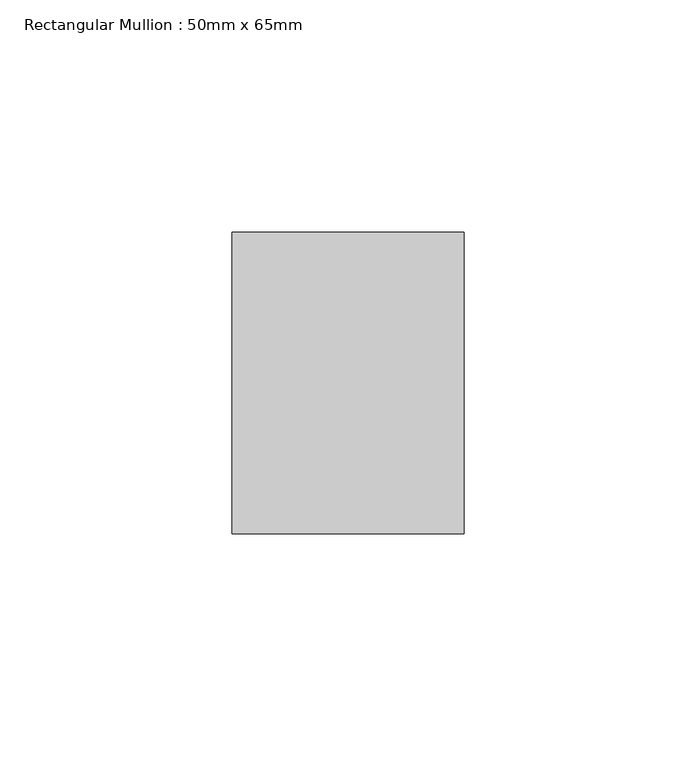
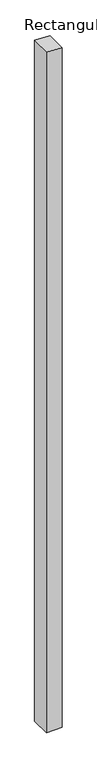
"""IFC4 building model written with IfcOpenShell, lengths in millimetres: member geometry, Rectangular Mullion : 50mm x 65mm."""

from ifc_helpers import new_model, si_unit, origin, place, context, project, spatial, faceted_brep, source, transform, mapped, element, save


def rectangular_mullion_50mm_x_65mm_93f4d404(model_context):
    return source(origin(), model_context, "Body", "Brep", [
        faceted_brep([(25.0, 32.5, -2316.599079), (25.0, -32.5, -2316.599079), (-25.0, -32.5, -2316.599079), (-25.0, 32.5, -2316.599079), (-25.0, 32.5, 2.1137883), (25.0, 32.5, -0.2009933), (-25.0, -32.5, 0.2009933), (25.0, -32.5, -2.1137883)], [[[0, 1, 2, 3]], [[4, 5, 0, 3]], [[6, 4, 3, 2]], [[7, 6, 2, 1]], [[5, 7, 1, 0]], [[5, 4, 6, 7]]]),
    ])


if __name__ == "__main__":
    model = new_model("IFC4")
    model_context = context("Model", 3, world=origin())
    ifc_project = project(units=[si_unit("LENGTHUNIT", "METRE", prefix="MILLI")], contexts=[model_context])
    site = spatial("IfcSite", under=ifc_project)
    building = spatial("IfcBuilding", under=site)
    placement = place(None, origin())
    rectangular_mullion_50mm_x_65mm_shape = rectangular_mullion_50mm_x_65mm_93f4d404(model_context)
    element("IfcMember", 1, ObjectType="Rectangular Mullion : 50mm x 65mm", at=placement, inside=building, context=model_context, shape_type="MappedRepresentation", body=[
        mapped(rectangular_mullion_50mm_x_65mm_shape, transform((0.0, 0.0, 0.0), x_axis=(1.0, 0.0, 0.0), y_axis=(0.0, 1.0, 0.0), z_axis=(0.0, 0.0, 1.0))),
    ])
    save(model, "model.ifc")
